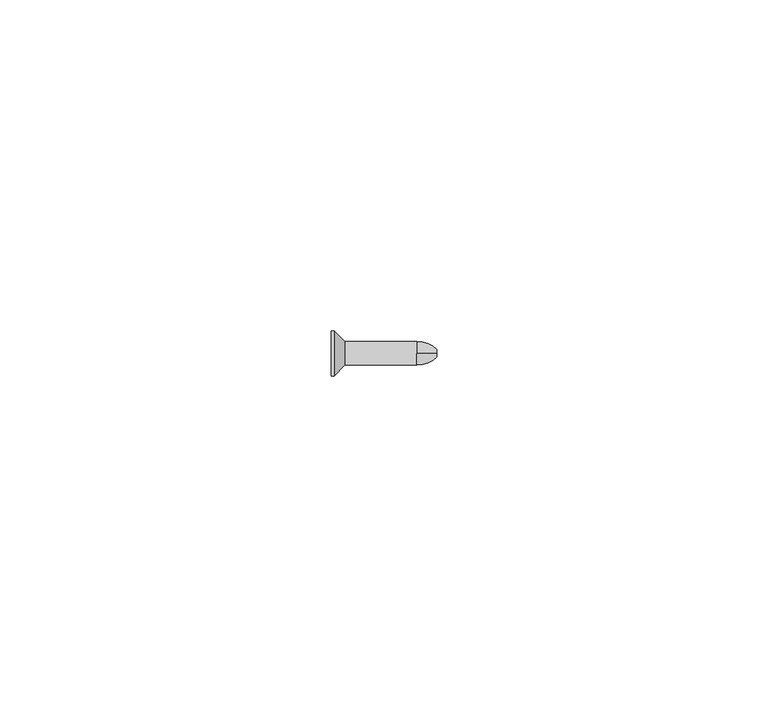
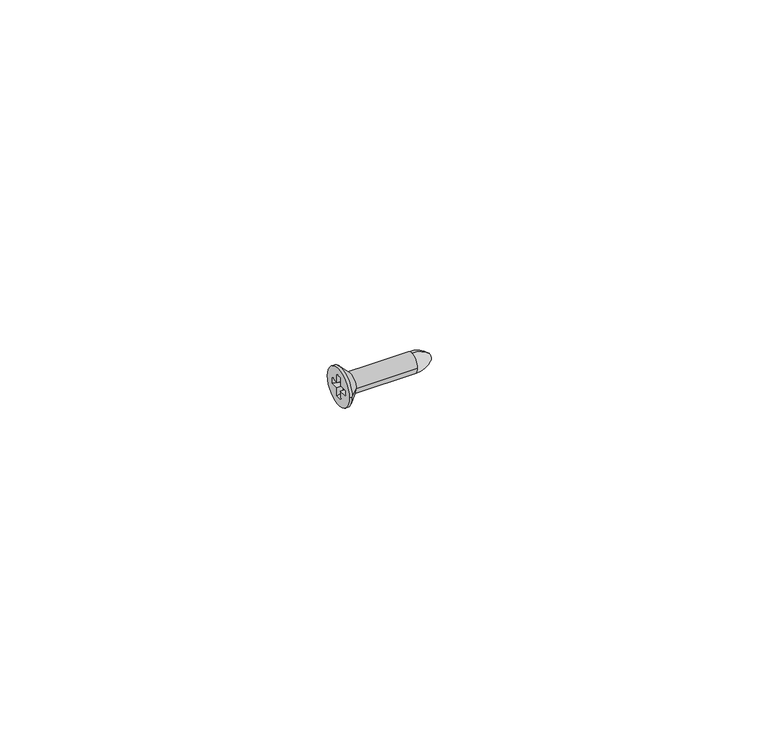
"""IFC4 building model written with IfcOpenShell, lengths in millimetres: proxy geometry."""

from ifc_helpers import new_model, si_unit, point, frame, origin, place, context, project, spatial, polyline, circle_curve, ellipse_curve, trimmed, source, transform, mapped, element, save
from ifc_brep_helpers import plane_surface, cylinder_surface, revolved_surface, advanced_brep


def generic_models_6e5695c4(model_context):
    return source(origin(), model_context, "Body", "AdvancedBrep", [
        advanced_brep(
        [(12.9689111, 0.0, -1.75), (16.0, 0.0, -0.5833333), (16.0, 0.0, 0.5833333), (12.9689111, 0.0, 1.75), (12.9689111, -1.75, 0.0), (2.1, 1.75, 0.0), (12.9689111, 1.75, 0.0), (2.1, -1.75, 0.0), (0.45, 3.4, 0.0), (0.45, -3.4, 0.0), (0.0, 3.4, 0.0), (0.0, -3.4, 0.0), (0.0, 0.5, 1.9813467), (0.0, 0.5, 0.5), (1.05, 0.5, 0.5), (1.05, 0.5, 1.7), (0.0, 0.5, -0.5), (0.0, 0.5, -1.9813467), (1.05, 0.5, -1.7), (1.05, 0.5, -0.5), (0.0, -0.5, 1.9813467), (1.05, -0.5, 1.7), (0.0, -0.5, 0.5), (1.05, -0.5, 0.5), (0.0, -0.5, -1.9813467), (0.0, -0.5, -0.5), (1.05, -0.5, -0.5), (1.05, -0.5, -1.7), (0.0, -1.9813467, -0.5), (1.05, -1.7, -0.5), (1.05, 1.7, -0.5), (0.0, 1.9813467, -0.5), (1.05, 1.7, 0.5), (1.05, -1.7, 0.5), (0.0, -1.9813467, 0.5), (0.0, 1.9813467, 0.5), (16.0, 0.5833333, 0.0)],
        [
            (0, 1, circle_curve(frame((12.9689111, 0.0, 2.7708333), z_axis=(0.0, -1.0, 0.0), x_axis=(0.0, 0.0, -1.0)), 4.5208333)),
            (1, 2, circle_curve(frame((16.0, 0.0, 0.0), z_axis=(-1.0, 0.0, 0.0), x_axis=(0.0, 0.0, 1.0)), 0.5833333)),
            (2, 3, circle_curve(frame((12.9689111, 0.0, -2.7708333), z_axis=(0.0, -1.0, 0.0), x_axis=(0.0, 0.0, 1.0)), 4.5208333)),
            (3, 4, circle_curve(frame((12.9689111, 0.0, 0.0), z_axis=(1.0, 0.0, 0.0), x_axis=(0.0, 0.0, 1.0)), 1.75)),
            (4, 0, circle_curve(frame((12.9689111, 0.0, 0.0), z_axis=(1.0, 0.0, 0.0), x_axis=(0.0, 0.0, 1.0)), 1.75)),
            (5, 6),
            (6, 0, circle_curve(frame((12.9689111, 0.0, 0.0), z_axis=(-1.0, 0.0, 0.0), x_axis=(0.0, 1.0, 0.0)), 1.75)),
            (4, 7),
            (7, 5, circle_curve(frame((2.1, 0.0, 0.0), z_axis=(1.0, 0.0, 0.0), x_axis=(0.0, 1.0, 0.0)), 1.75)),
            (8, 5),
            (7, 9),
            (9, 8, circle_curve(frame((0.45, 0.0, 0.0), z_axis=(1.0, 0.0, 0.0), x_axis=(0.0, -1.0, 0.0)), 3.4)),
            (10, 8),
            (9, 11),
            (11, 10, circle_curve(frame((0.0, 0.0, 0.0), z_axis=(1.0, 0.0, 0.0), x_axis=(0.0, 1.0, 0.0)), 3.4)),
            (12, 13),
            (13, 14),
            (14, 15),
            (15, 12),
            (16, 17),
            (17, 18),
            (18, 19),
            (19, 16),
            (20, 12),
            (15, 21),
            (21, 20),
            (22, 20),
            (21, 23),
            (23, 22),
            (24, 25),
            (25, 26),
            (26, 27),
            (27, 24),
            (17, 24),
            (27, 18),
            (25, 28),
            (28, 29),
            (29, 26),
            (19, 30),
            (30, 31),
            (31, 16),
            (14, 32),
            (32, 30),
            (29, 33),
            (33, 23),
            (33, 34),
            (34, 22),
            (35, 31),
            (32, 35),
            (13, 35),
            (28, 34),
            (10, 11, circle_curve(frame((0.0, 0.0, 0.0), z_axis=(1.0, 0.0, 0.0), x_axis=(0.0, 1.0, 0.0)), 3.4)),
            (9, 8, circle_curve(frame((0.45, 0.0, 0.0), z_axis=(-1.0, 0.0, 0.0), x_axis=(0.0, 1.0, 0.0)), 3.4)),
            (7, 5, circle_curve(frame((2.1, 0.0, 0.0), z_axis=(-1.0, 0.0, 0.0), x_axis=(0.0, 1.0, 0.0)), 1.75)),
            (3, 6, circle_curve(frame((12.9689111, 0.0, 0.0), z_axis=(-1.0, 0.0, 0.0), x_axis=(0.0, 1.0, 0.0)), 1.75)),
            (2, 36, circle_curve(frame((16.0, 0.0, 0.0), z_axis=(-1.0, 0.0, 0.0), x_axis=(0.0, 0.0, -1.0)), 0.5833333)),
            (36, 1, circle_curve(frame((16.0, 0.0, 0.0), z_axis=(-1.0, 0.0, 0.0), x_axis=(0.0, 0.0, -1.0)), 0.5833333)),
        ],
        [
            revolved_surface(trimmed(ellipse_curve(frame((12.9689111, 0.0, -2.7708333), z_axis=(0.0, 1.0, 0.0), x_axis=(0.0, 0.0, 1.0)), 4.5208333, 4.5208333), [point((12.9689111, 0.0, 1.75))], [point((16.0, 0.0, 0.5833333))], True, "CARTESIAN"), (12.9689111, 0.0, 0.0), (1.0, 0.0, 0.0)),
            cylinder_surface(frame((7.5344555, 0.0, 0.0), z_axis=(1.0, 0.0, 0.0), x_axis=(0.0, 1.0, 0.0)), 1.75),
            revolved_surface(polyline([(2.0999999999999996, 1.7500000000000002, 0.0), (0.4500000000000002, 3.4, 0.0)]), (3.85, 0.0, 0.0), (-1.0, 0.0, 0.0)),
            cylinder_surface(frame((0.225, 0.0, 0.0), z_axis=(1.0, 0.0, 0.0), x_axis=(0.0, 1.0, 0.0)), 3.4),
            plane_surface(frame((-0.7612846, 0.5, 0.0), z_axis=(0.0, -1.0, 0.0), x_axis=(1.0, 0.0, 0.0))),
            plane_surface(frame((1.05, 0.0, 1.7), z_axis=(-0.2588190451025208, 0.0, -0.9659258262890683), x_axis=(0.0, -1.0, 0.0))),
            plane_surface(frame((-0.7612846, -0.5, 0.0), z_axis=(0.0, 1.0, 0.0), x_axis=(1.0, 0.0, 0.0))),
            plane_surface(frame((-2.2016339, 0.0, -2.5712727), z_axis=(-0.25881904510252063, 0.0, 0.9659258262890683), x_axis=(0.0, 1.0, 0.0))),
            plane_surface(frame((-0.7612846, 0.0, -0.5), z_axis=(0.0, 0.0, 1.0), x_axis=(1.0, 0.0, 0.0))),
            plane_surface(frame((1.05, -1.7, 0.0), z_axis=(-1.0, 0.0, 0.0), x_axis=(0.0, 0.0, -1.0))),
            plane_surface(frame((-0.7612846, 0.0, 0.5), z_axis=(0.0, 0.0, -1.0), x_axis=(1.0, 0.0, 0.0))),
            plane_surface(frame((1.05, 1.7, 0.0), z_axis=(-0.25881904510252063, -0.9659258262890683, 0.0), x_axis=(0.0, 0.0, 1.0))),
            plane_surface(frame((-2.2016339, -2.5712727, 0.0), z_axis=(-0.2588190451025208, 0.9659258262890683, 0.0), x_axis=(0.0, 0.0, -1.0))),
            revolved_surface(trimmed(ellipse_curve(frame((12.9689111, 0.0, 2.7708333), z_axis=(0.0, -1.0, 0.0), x_axis=(0.0, 0.0, -1.0)), 4.5208333, 4.5208333), [point((12.9689111, 0.0, -1.75))], [point((16.0, 0.0, -0.5833333))], True, "CARTESIAN"), (12.9689111, 0.0, 0.0), (1.0, 0.0, 0.0)),
            plane_surface(frame((16.0, 0.2916667, 0.0), z_axis=(1.0, 0.0, 0.0), x_axis=(0.0, 0.0, -1.0))),
            plane_surface(frame((0.0, 1.7, 0.0), z_axis=(-1.0, 0.0, 0.0), x_axis=(0.0, 0.0, 1.0))),
        ],
        [
            (0, [[1, 2, 3, 4, 5]]),
            (1, [[6, 7, -5, 8, 9]]),
            (2, [[10, -9, 11, 12]]),
            (3, [[13, -12, 14, 15]]),
            (4, [[16, 17, 18, 19]]),
            (4, [[20, 21, 22, 23]]),
            (5, [[24, -19, 25, 26]]),
            (6, [[27, -26, 28, 29]]),
            (6, [[30, 31, 32, 33]]),
            (7, [[34, -33, 35, -21]]),
            (8, [[-31, 36, 37, 38]]),
            (8, [[-23, 39, 40, 41]]),
            (9, [[42, 43, -39, -22, -35, -32, -38, 44, 45, -28, -25, -18]]),
            (10, [[-29, -45, 46, 47]]),
            (11, [[48, -40, -43, 49]]),
            (10, [[-17, 50, -49, -42]]),
            (12, [[51, -46, -44, -37]]),
            (3, [[-13, 52, -14, 53]]),
            (2, [[-10, -53, -11, 54]]),
            (1, [[-6, -54, -8, -4, 55]]),
            (13, [[-1, -7, -55, -3, 56, 57]]),
            (14, [[-56, -2, -57]]),
            (15, [[-52, -15], [-20, -41, -48, -50, -16, -24, -27, -47, -51, -36, -30, -34]]),
        ],
    ),
    ])


if __name__ == "__main__":
    model = new_model("IFC4")
    model_context = context("Model", 3, world=origin())
    ifc_project = project(units=[si_unit("LENGTHUNIT", "METRE", prefix="MILLI")], contexts=[model_context])
    site = spatial("IfcSite", under=ifc_project)
    building = spatial("IfcBuilding", under=site)
    placement = place(None, origin())
    generic_models_shape = generic_models_6e5695c4(model_context)
    element("IfcBuildingElementProxy", 1, Name="Generic Models", at=placement, inside=building, context=model_context, shape_type="MappedRepresentation", body=[
        mapped(generic_models_shape, transform((0.0, 0.0, 0.0), x_axis=(1.0, 0.0, 0.0), y_axis=(0.0, 1.0, 0.0), z_axis=(0.0, 0.0, 1.0))),
    ])
    save(model, "model.ifc")
